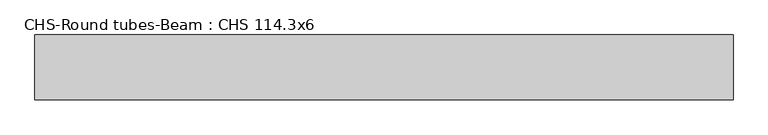
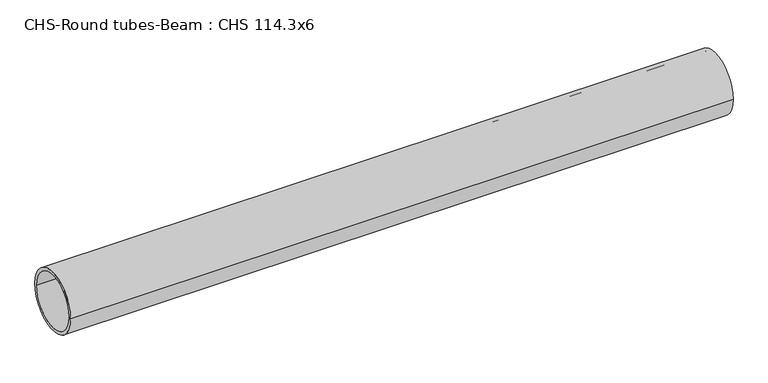
"""IFC4 building model written with IfcOpenShell, lengths in millimetres: beam geometry, CHS-Round tubes-Beam : CHS 114.3x6."""

from ifc_helpers import new_model, si_unit, point, frame, origin, origin_2d, place, context, project, spatial, circle_curve, trimmed, segment, composite_curve, outline, extrude, source, transform, mapped, element, save


def chs_round_tubes_beam_chs_114_3x6_0488c1fe(model_context):
    return source(origin(), model_context, "Body", "SweptSolid", [
        extrude(outline(composite_curve([segment(trimmed(circle_curve(origin_2d(), 57.15), [point((57.15, 0.0))], [point((-57.15, 0.0))], False, "CARTESIAN"), True, "CONTINUOUS"), segment(trimmed(circle_curve(origin_2d(), 57.15), [point((-57.15, 0.0))], [point((57.15, 0.0))], False, "CARTESIAN"), True, "CONTINUOUS")], self_intersect=False), holes=[composite_curve([segment(trimmed(circle_curve(origin_2d(), 51.15), [point((51.15, 0.0))], [point((-51.15, 0.0))], True, "CARTESIAN"), True, "CONTINUOUS"), segment(trimmed(circle_curve(origin_2d(), 51.15), [point((-51.15, 0.0))], [point((51.15, 0.0))], True, "CARTESIAN"), True, "CONTINUOUS")], self_intersect=False)]), frame((-633.0639804, 0.0, 0.0), z_axis=(1.0, 0.0, 0.0), x_axis=(0.0, 1.0, 0.0)), (0.0, 0.0, 1.0), 1229.351755),
    ])


if __name__ == "__main__":
    model = new_model("IFC4")
    model_context = context("Model", 3, world=origin())
    ifc_project = project(units=[si_unit("LENGTHUNIT", "METRE", prefix="MILLI")], contexts=[model_context])
    site = spatial("IfcSite", under=ifc_project)
    building = spatial("IfcBuilding", under=site)
    placement = place(None, origin())
    chs_round_tubes_beam_chs_114_3x6_shape = chs_round_tubes_beam_chs_114_3x6_0488c1fe(model_context)
    element("IfcBeam", 1, ObjectType="CHS-Round tubes-Beam : CHS 114.3x6", at=placement, inside=building, context=model_context, shape_type="MappedRepresentation", body=[
        mapped(chs_round_tubes_beam_chs_114_3x6_shape, transform((0.0, 0.0, 0.0), x_axis=(1.0, 0.0, 0.0), y_axis=(0.0, 1.0, 0.0), z_axis=(0.0, 0.0, 1.0))),
    ])
    save(model, "model.ifc")
